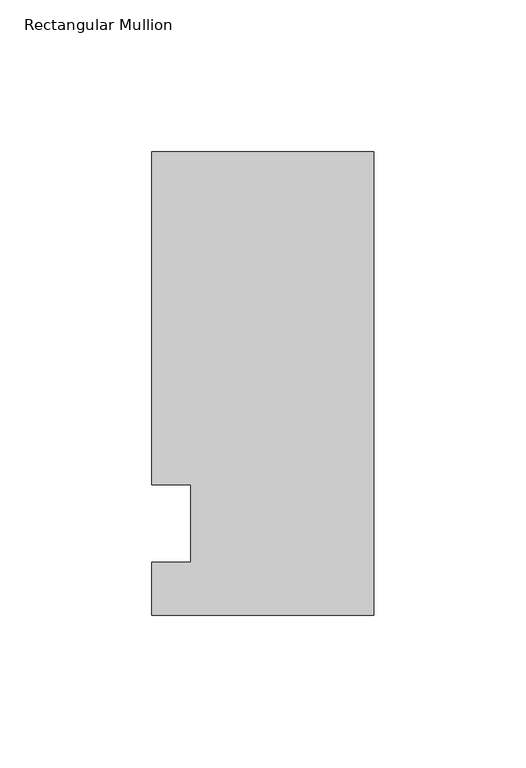
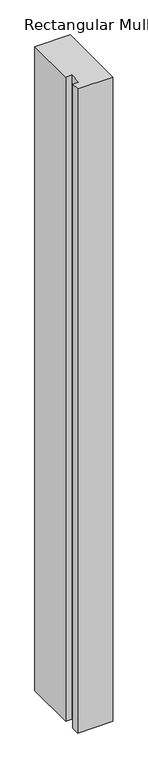
"""IFC4 building model written with IfcOpenShell, lengths in millimetres: member geometry, Rectangular Mullion."""

from ifc_helpers import new_model, si_unit, frame, origin, place, context, project, spatial, polyline, outline, extrude, source, transform, mapped, element, save


def rectangular_mullion_0a9bd9ca(model_context):
    return source(origin(), model_context, "Body", "SweptSolid", [
        extrude(outline(polyline([(-73.025, 122.2375), (0.0, 122.2375), (0.0, -30.1625), (-73.025, -30.1625), (-73.025, -12.7), (-60.3232296, -12.7), (-60.3232296, 12.7), (-73.025, 12.7), (-73.025, 122.2375)])), frame((0.0, 0.0, -1406.6260693), z_axis=(0.0, 0.0, 1.0), x_axis=(1.0, 0.0, 0.0)), (0.0, 0.0, 1.0), 1406.6260693),
    ])


if __name__ == "__main__":
    model = new_model("IFC4")
    model_context = context("Model", 3, world=origin())
    ifc_project = project(units=[si_unit("LENGTHUNIT", "METRE", prefix="MILLI")], contexts=[model_context])
    site = spatial("IfcSite", under=ifc_project)
    building = spatial("IfcBuilding", under=site)
    placement = place(None, origin())
    rectangular_mullion_shape = rectangular_mullion_0a9bd9ca(model_context)
    element("IfcMember", 1, ObjectType="Rectangular Mullion", at=placement, inside=building, context=model_context, shape_type="MappedRepresentation", body=[
        mapped(rectangular_mullion_shape, transform((0.0, 0.0, 0.0), x_axis=(1.0, 0.0, 0.0), y_axis=(0.0, 1.0, 0.0), z_axis=(0.0, 0.0, 1.0))),
    ])
    save(model, "model.ifc")
